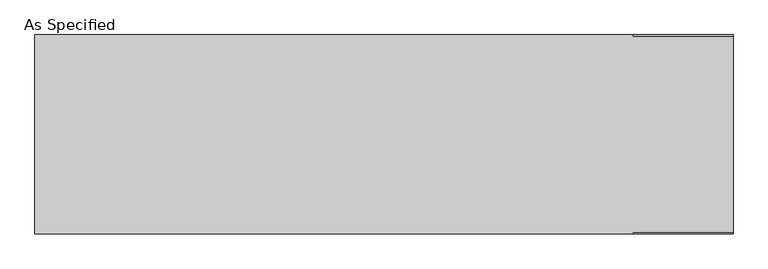
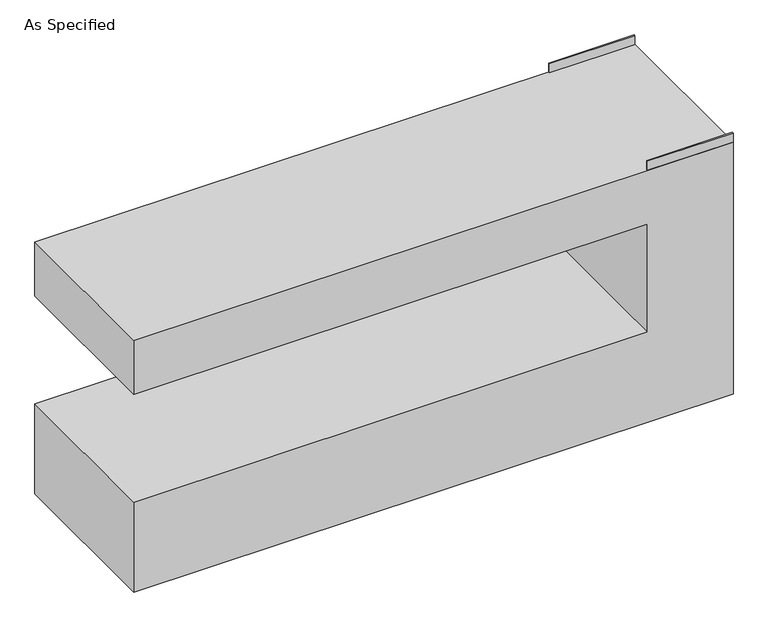
"""IFC4 building model written with IfcOpenShell, lengths in millimetres: proxy geometry, As Specified."""

from ifc_helpers import new_model, si_unit, frame, origin, place, context, project, spatial, polyline, outline, extrude, source, transform, mapped, element, save


def as_specified_5b9ff618(model_context):
    return source(origin(), model_context, "Body", "SweptSolid", [
        extrude(outline(polyline([(1143.0, 450.85), (1143.0, 457.2), (1600.2, 457.2), (1600.2, 450.85), (1143.0, 450.85)])), frame((0.0, 0.0, 1422.4), z_axis=(0.0, 0.0, 1.0), x_axis=(1.0, 0.0, 0.0)), (0.0, 0.0, 1.0), 50.8),
        extrude(outline(polyline([(1143.0, -457.2), (1143.0, -450.85), (1600.2, -450.85), (1600.2, -457.2), (1143.0, -457.2)])), frame((0.0, 0.0, 1422.4), z_axis=(0.0, 0.0, 1.0), x_axis=(1.0, 0.0, 0.0)), (0.0, 0.0, 1.0), 50.8),
        extrude(outline(polyline([(1422.4, 1600.2), (1422.4, -1600.2), (1117.6, -1600.2), (1117.6, 1143.0), (508.0, 1143.0), (508.0, -1600.2), (0.0, -1600.2), (0.0, 1600.2), (1422.4, 1600.2)])), frame((0.0, -457.2, 0.0), z_axis=(0.0, 1.0, 0.0), x_axis=(0.0, 0.0, 1.0)), (0.0, 0.0, 1.0), 914.4),
    ])


if __name__ == "__main__":
    model = new_model("IFC4")
    model_context = context("Model", 3, world=origin())
    ifc_project = project(units=[si_unit("LENGTHUNIT", "METRE", prefix="MILLI")], contexts=[model_context])
    site = spatial("IfcSite", under=ifc_project)
    building = spatial("IfcBuilding", under=site)
    placement = place(None, origin())
    as_specified_shape = as_specified_5b9ff618(model_context)
    element("IfcBuildingElementProxy", 1, Name="As Specified", ObjectType="As Specified", at=placement, inside=building, context=model_context, shape_type="MappedRepresentation", body=[
        mapped(as_specified_shape, transform((0.0, 0.0, 0.0), x_axis=(1.0, 0.0, 0.0), y_axis=(0.0, 1.0, 0.0), z_axis=(0.0, 0.0, 1.0))),
    ])
    save(model, "model.ifc")
